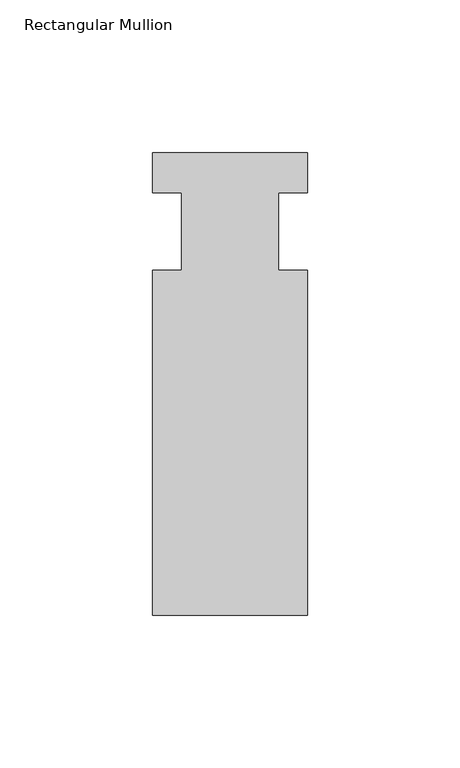
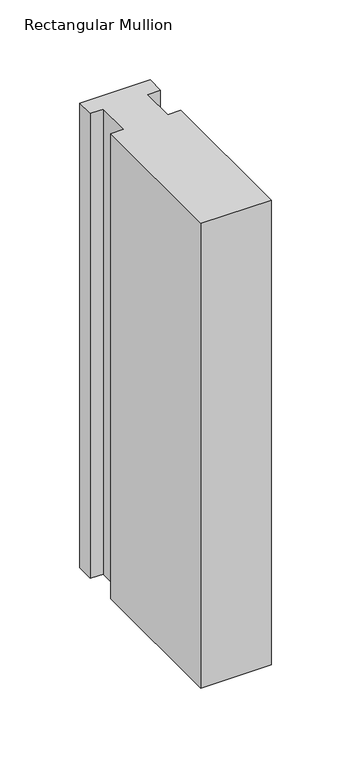
"""IFC4 building model written with IfcOpenShell, lengths in millimetres: member geometry, Rectangular Mullion."""

from ifc_helpers import new_model, si_unit, frame, origin, place, context, project, spatial, polyline, outline, extrude, source, transform, mapped, element, save


def rectangular_mullion_94a99aa8(model_context):
    return source(origin(), model_context, "Body", "SweptSolid", [
        extrude(outline(polyline([(-25.4, 25.796875), (25.4, 25.796875), (25.4, 12.7), (15.875, 12.7), (15.875, -12.7), (25.4, -12.7), (25.4, -125.809375), (-25.4, -125.809375), (-25.4, -12.7), (-15.875, -12.7), (-15.875, 12.7), (-25.4, 12.7), (-25.4, 25.796875)])), frame((0.0, 0.0, -355.6), z_axis=(0.0, 0.0, 1.0), x_axis=(1.0, 0.0, 0.0)), (0.0, 0.0, 1.0), 355.6),
    ])


if __name__ == "__main__":
    model = new_model("IFC4")
    model_context = context("Model", 3, world=origin())
    ifc_project = project(units=[si_unit("LENGTHUNIT", "METRE", prefix="MILLI")], contexts=[model_context])
    site = spatial("IfcSite", under=ifc_project)
    building = spatial("IfcBuilding", under=site)
    placement = place(None, origin())
    rectangular_mullion_shape = rectangular_mullion_94a99aa8(model_context)
    element("IfcMember", 1, ObjectType="Rectangular Mullion", at=placement, inside=building, context=model_context, shape_type="MappedRepresentation", body=[
        mapped(rectangular_mullion_shape, transform((0.0, 0.0, 0.0), x_axis=(1.0, 0.0, 0.0), y_axis=(0.0, 1.0, 0.0), z_axis=(0.0, 0.0, 1.0))),
    ])
    save(model, "model.ifc")
